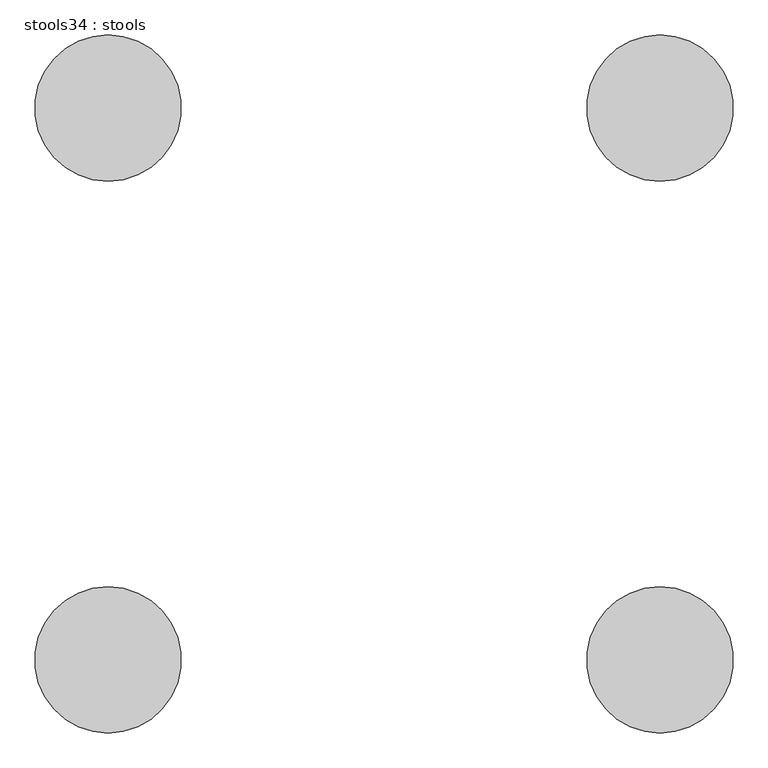
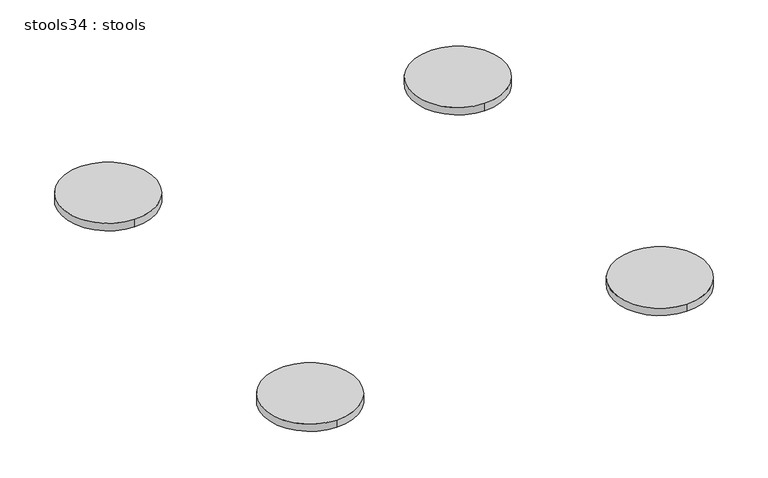
"""IFC4 building model written with IfcOpenShell, lengths in millimetres: furniture geometry, stools34 : stools."""

from ifc_helpers import new_model, si_unit, point, frame, frame_2d, origin, place, context, project, spatial, circle_curve, trimmed, segment, composite_curve, outline, extrude, source, transform, mapped, element, save


def stools34_stools_c330b129(model_context):
    return source(origin(), model_context, "Body", "SweptSolid", [
        extrude(outline(composite_curve([segment(trimmed(circle_curve(frame_2d((-118765.068706, -6519.6969946)), 152.4), [point((-118765.068706, -6367.2969946))], [point((-118765.068706, -6672.0969946))], False, "CARTESIAN"), True, "CONTINUOUS"), segment(trimmed(circle_curve(frame_2d((-118765.068706, -6519.6969946)), 152.4), [point((-118765.068706, -6672.0969946))], [point((-118765.068706, -6367.2969946))], False, "CARTESIAN"), True, "CONTINUOUS")], self_intersect=False)), frame((0.0, 0.0, 457.2), z_axis=(0.0, 0.0, 1.0), x_axis=(1.0, 0.0, 0.0)), (0.0, 0.0, 1.0), 25.4),
        extrude(outline(composite_curve([segment(trimmed(circle_curve(frame_2d((-119914.5414895, -6519.6969946)), 152.4), [point((-119914.5414895, -6367.2969946))], [point((-119914.5414895, -6672.0969946))], False, "CARTESIAN"), True, "CONTINUOUS"), segment(trimmed(circle_curve(frame_2d((-119914.5414895, -6519.6969946)), 152.4), [point((-119914.5414895, -6672.0969946))], [point((-119914.5414895, -6367.2969946))], False, "CARTESIAN"), True, "CONTINUOUS")], self_intersect=False)), frame((0.0, 0.0, 457.2), z_axis=(0.0, 0.0, 1.0), x_axis=(1.0, 0.0, 0.0)), (0.0, 0.0, 1.0), 25.4),
        extrude(outline(composite_curve([segment(trimmed(circle_curve(frame_2d((-118765.068706, -5370.2242111)), 152.4), [point((-118765.068706, -5522.6242111))], [point((-118765.068706, -5217.8242111))], False, "CARTESIAN"), True, "CONTINUOUS"), segment(trimmed(circle_curve(frame_2d((-118765.068706, -5370.2242111)), 152.4), [point((-118765.068706, -5217.8242111))], [point((-118765.068706, -5522.6242111))], False, "CARTESIAN"), True, "CONTINUOUS")], self_intersect=False)), frame((0.0, 0.0, 457.2), z_axis=(0.0, 0.0, 1.0), x_axis=(1.0, 0.0, 0.0)), (0.0, 0.0, 1.0), 25.4),
        extrude(outline(composite_curve([segment(trimmed(circle_curve(frame_2d((-119914.5414895, -5370.2242111)), 152.4), [point((-119914.5414895, -5522.6242111))], [point((-119914.5414895, -5217.8242111))], False, "CARTESIAN"), True, "CONTINUOUS"), segment(trimmed(circle_curve(frame_2d((-119914.5414895, -5370.2242111)), 152.4), [point((-119914.5414895, -5217.8242111))], [point((-119914.5414895, -5522.6242111))], False, "CARTESIAN"), True, "CONTINUOUS")], self_intersect=False)), frame((0.0, 0.0, 457.2), z_axis=(0.0, 0.0, 1.0), x_axis=(1.0, 0.0, 0.0)), (0.0, 0.0, 1.0), 25.4),
    ])


if __name__ == "__main__":
    model = new_model("IFC4")
    model_context = context("Model", 3, world=origin())
    ifc_project = project(units=[si_unit("LENGTHUNIT", "METRE", prefix="MILLI")], contexts=[model_context])
    site = spatial("IfcSite", under=ifc_project)
    building = spatial("IfcBuilding", under=site)
    placement = place(None, origin())
    stools34_stools_shape = stools34_stools_c330b129(model_context)
    element("IfcFurniture", 1, ObjectType="stools34 : stools", at=placement, inside=building, context=model_context, shape_type="MappedRepresentation", body=[
        mapped(stools34_stools_shape, transform((0.0, 0.0, 0.0), x_axis=(1.0, 0.0, 0.0), y_axis=(0.0, 1.0, 0.0), z_axis=(0.0, 0.0, 1.0))),
    ])
    save(model, "model.ifc")
